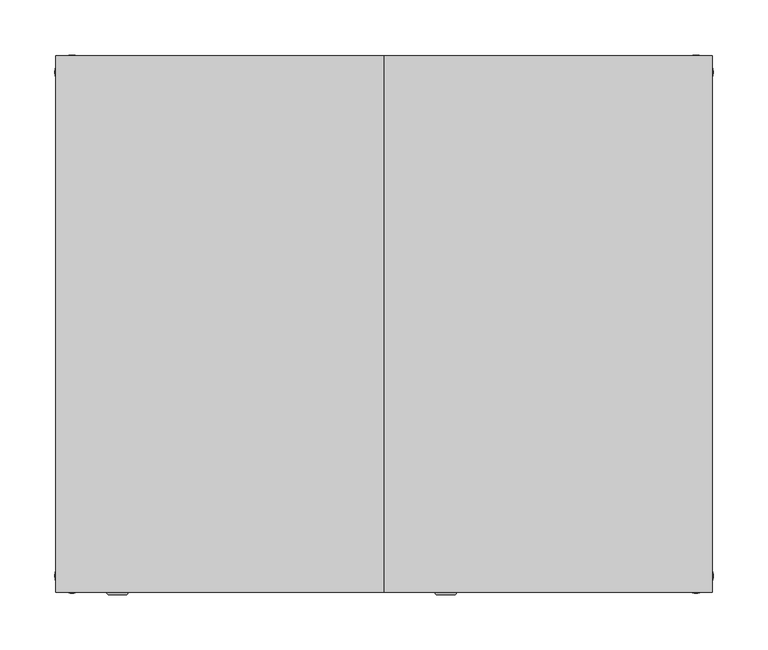
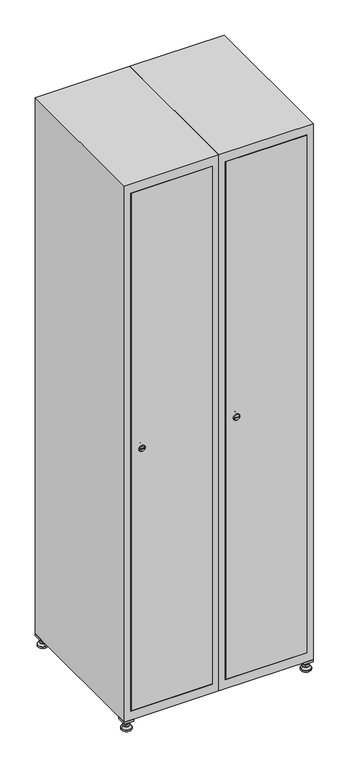
"""IFC4 building model written with IfcOpenShell, lengths in millimetres: furniture geometry."""

from ifc_helpers import new_model, si_unit, point, frame, frame_2d, origin, origin_with_axes, place, context, project, spatial, polyline, circle_curve, trimmed, segment, composite_curve, outline, extrude, faceted_brep, source, transform, mapped, element, save
from ifc_brep_helpers import plane_surface, revolved_surface, advanced_brep


def furniture_5229ee1f(model_context):
    return source(origin(), model_context, "Body", "SolidModel", [
        extrude(outline(polyline([(400.0, 245.0), (400.0, 215.0), (370.0, 215.0), (370.0, 245.0), (400.0, 245.0)]), holes=[polyline([(398.0, 243.0), (372.0, 243.0), (372.0, 217.0), (398.0, 217.0), (398.0, 243.0)])]), frame((0.0, 0.0, 28.5), z_axis=(0.0, 0.0, 1.0), x_axis=(1.0, 0.0, 0.0)), (0.0, 0.0, 1.0), 6.5),
        extrude(outline(polyline([(370.0, -245.0), (370.0, -215.0), (400.0, -215.0), (400.0, -245.0), (370.0, -245.0)]), holes=[polyline([(372.0, -243.0), (398.0, -243.0), (398.0, -217.0), (372.0, -217.0), (372.0, -243.0)])]), frame((0.0, 0.0, 28.5), z_axis=(0.0, 0.0, 1.0), x_axis=(1.0, 0.0, 0.0)), (0.0, 0.0, 1.0), 6.5),
        extrude(outline(polyline([(-170.0, 245.0), (-170.0, 215.0), (-200.0, 215.0), (-200.0, 245.0), (-170.0, 245.0)]), holes=[polyline([(-172.0, 243.0), (-198.0, 243.0), (-198.0, 217.0), (-172.0, 217.0), (-172.0, 243.0)])]), frame((0.0, 0.0, 28.5), z_axis=(0.0, 0.0, 1.0), x_axis=(1.0, 0.0, 0.0)), (0.0, 0.0, 1.0), 6.5),
        extrude(outline(polyline([(-170.0, -215.0), (-170.0, -245.0), (-200.0, -245.0), (-200.0, -215.0), (-170.0, -215.0)]), holes=[polyline([(-198.0, -243.0), (-172.0, -243.0), (-172.0, -217.0), (-198.0, -217.0), (-198.0, -243.0)])]), frame((0.0, 0.0, 28.5), z_axis=(0.0, 0.0, 1.0), x_axis=(1.0, 0.0, 0.0)), (0.0, 0.0, 1.0), 6.5),
        extrude(outline(composite_curve([segment(trimmed(circle_curve(frame_2d((-185.0, 230.0)), 5.0), [point((-180.0, 230.0))], [point((-190.0, 230.0))], False, "CARTESIAN"), True, "CONTINUOUS"), segment(trimmed(circle_curve(frame_2d((-185.0, 230.0)), 5.0), [point((-190.0, 230.0))], [point((-180.0, 230.0))], False, "CARTESIAN"), True, "CONTINUOUS")], self_intersect=False)), frame((0.0, 0.0, 19.6), z_axis=(0.0, 0.0, 1.0), x_axis=(1.0, 0.0, 0.0)), (0.0, 0.0, 1.0), 15.4),
        extrude(outline(composite_curve([segment(trimmed(circle_curve(frame_2d((-185.0, -230.0)), 5.0), [point((-180.0, -230.0))], [point((-190.0, -230.0))], False, "CARTESIAN"), True, "CONTINUOUS"), segment(trimmed(circle_curve(frame_2d((-185.0, -230.0)), 5.0), [point((-190.0, -230.0))], [point((-180.0, -230.0))], False, "CARTESIAN"), True, "CONTINUOUS")], self_intersect=False)), frame((0.0, 0.0, 19.6), z_axis=(0.0, 0.0, 1.0), x_axis=(1.0, 0.0, 0.0)), (0.0, 0.0, 1.0), 15.4),
        extrude(outline(composite_curve([segment(trimmed(circle_curve(frame_2d((385.0, 230.0)), 5.0), [point((390.0, 230.0))], [point((380.0, 230.0))], False, "CARTESIAN"), True, "CONTINUOUS"), segment(trimmed(circle_curve(frame_2d((385.0, 230.0)), 5.0), [point((380.0, 230.0))], [point((390.0, 230.0))], False, "CARTESIAN"), True, "CONTINUOUS")], self_intersect=False)), frame((0.0, 0.0, 19.6), z_axis=(0.0, 0.0, 1.0), x_axis=(1.0, 0.0, 0.0)), (0.0, 0.0, 1.0), 15.4),
        extrude(outline(polyline([(373.4529946, 230.0), (379.2264973, 240.0), (390.7735027, 240.0), (396.5470054, 230.0), (390.7735027, 220.0), (379.2264973, 220.0), (373.4529946, 230.0)])), frame((0.0, 0.0, 13.6), z_axis=(0.0, 0.0, 1.0), x_axis=(1.0, 0.0, 0.0)), (0.0, 0.0, 1.0), 6.0),
        extrude(outline(composite_curve([segment(trimmed(circle_curve(frame_2d((385.0, -230.0)), 5.0), [point((390.0, -230.0))], [point((380.0, -230.0))], False, "CARTESIAN"), True, "CONTINUOUS"), segment(trimmed(circle_curve(frame_2d((385.0, -230.0)), 5.0), [point((380.0, -230.0))], [point((390.0, -230.0))], False, "CARTESIAN"), True, "CONTINUOUS")], self_intersect=False)), frame((0.0, 0.0, 19.6), z_axis=(0.0, 0.0, 1.0), x_axis=(1.0, 0.0, 0.0)), (0.0, 0.0, 1.0), 15.4),
        extrude(outline(polyline([(373.4529946, -230.0), (379.2264973, -220.0), (390.7735027, -220.0), (396.5470054, -230.0), (390.7735027, -240.0), (379.2264973, -240.0), (373.4529946, -230.0)])), frame((0.0, 0.0, 13.6), z_axis=(0.0, 0.0, 1.0), x_axis=(1.0, 0.0, 0.0)), (0.0, 0.0, 1.0), 6.0),
        extrude(outline(composite_curve([segment(trimmed(circle_curve(frame_2d((385.0, 230.0)), 5.0), [point((390.0, 230.0))], [point((380.0, 230.0))], False, "CARTESIAN"), True, "CONTINUOUS"), segment(trimmed(circle_curve(frame_2d((385.0, 230.0)), 5.0), [point((380.0, 230.0))], [point((390.0, 230.0))], False, "CARTESIAN"), True, "CONTINUOUS")], self_intersect=False)), frame((0.0, 0.0, 12.1), z_axis=(0.0, 0.0, 1.0), x_axis=(1.0, 0.0, 0.0)), (0.0, 0.0, 1.0), 1.5),
        extrude(outline(composite_curve([segment(trimmed(circle_curve(frame_2d((385.0, -230.0)), 5.0), [point((390.0, -230.0))], [point((380.0, -230.0))], False, "CARTESIAN"), True, "CONTINUOUS"), segment(trimmed(circle_curve(frame_2d((385.0, -230.0)), 5.0), [point((380.0, -230.0))], [point((390.0, -230.0))], False, "CARTESIAN"), True, "CONTINUOUS")], self_intersect=False)), frame((0.0, 0.0, 12.1), z_axis=(0.0, 0.0, 1.0), x_axis=(1.0, 0.0, 0.0)), (0.0, 0.0, 1.0), 1.5),
        extrude(outline(polyline([(-196.5470054, 230.0), (-190.7735027, 240.0), (-179.2264973, 240.0), (-173.4529946, 230.0), (-179.2264973, 220.0), (-190.7735027, 220.0), (-196.5470054, 230.0)])), frame((0.0, 0.0, 13.6), z_axis=(0.0, 0.0, 1.0), x_axis=(1.0, 0.0, 0.0)), (0.0, 0.0, 1.0), 6.0),
        extrude(outline(polyline([(-196.5470054, -230.0), (-190.7735027, -220.0), (-179.2264973, -220.0), (-173.4529946, -230.0), (-179.2264973, -240.0), (-190.7735027, -240.0), (-196.5470054, -230.0)])), frame((0.0, 0.0, 13.6), z_axis=(0.0, 0.0, 1.0), x_axis=(1.0, 0.0, 0.0)), (0.0, 0.0, 1.0), 6.0),
        extrude(outline(composite_curve([segment(trimmed(circle_curve(frame_2d((-185.0, 230.0)), 5.0), [point((-185.0, 235.0))], [point((-185.0, 225.0))], False, "CARTESIAN"), True, "CONTINUOUS"), segment(trimmed(circle_curve(frame_2d((-185.0, 230.0)), 5.0), [point((-185.0, 225.0))], [point((-185.0, 235.0))], False, "CARTESIAN"), True, "CONTINUOUS")], self_intersect=False)), frame((0.0, 0.0, 12.1), z_axis=(0.0, 0.0, 1.0), x_axis=(1.0, 0.0, 0.0)), (0.0, 0.0, 1.0), 1.5),
        extrude(outline(composite_curve([segment(trimmed(circle_curve(frame_2d((-185.0, -230.0)), 5.0), [point((-180.0, -230.0))], [point((-190.0, -230.0))], False, "CARTESIAN"), True, "CONTINUOUS"), segment(trimmed(circle_curve(frame_2d((-185.0, -230.0)), 5.0), [point((-190.0, -230.0))], [point((-180.0, -230.0))], False, "CARTESIAN"), True, "CONTINUOUS")], self_intersect=False)), frame((0.0, 0.0, 12.1), z_axis=(0.0, 0.0, 1.0), x_axis=(1.0, 0.0, 0.0)), (0.0, 0.0, 1.0), 1.5),
        extrude(outline(composite_curve([segment(trimmed(circle_curve(frame_2d((385.0, 230.0)), 15.75), [point((400.75, 230.0))], [point((369.25, 230.0))], False, "CARTESIAN"), True, "CONTINUOUS"), segment(trimmed(circle_curve(frame_2d((385.0, 230.0)), 15.75), [point((369.25, 230.0))], [point((400.75, 230.0))], False, "CARTESIAN"), True, "CONTINUOUS")], self_intersect=False)), origin_with_axes(), (0.0, 0.0, 1.0), 5.1),
        extrude(outline(composite_curve([segment(trimmed(circle_curve(frame_2d((385.0, -230.0)), 15.75), [point((385.0, -214.25))], [point((385.0, -245.75))], False, "CARTESIAN"), True, "CONTINUOUS"), segment(trimmed(circle_curve(frame_2d((385.0, -230.0)), 15.75), [point((385.0, -245.75))], [point((385.0, -214.25))], False, "CARTESIAN"), True, "CONTINUOUS")], self_intersect=False)), origin_with_axes(), (0.0, 0.0, 1.0), 5.1),
        extrude(outline(composite_curve([segment(trimmed(circle_curve(frame_2d((-185.0, -230.0)), 15.75), [point((-169.25, -230.0))], [point((-200.75, -230.0))], False, "CARTESIAN"), True, "CONTINUOUS"), segment(trimmed(circle_curve(frame_2d((-185.0, -230.0)), 15.75), [point((-200.75, -230.0))], [point((-169.25, -230.0))], False, "CARTESIAN"), True, "CONTINUOUS")], self_intersect=False)), origin_with_axes(), (0.0, 0.0, 1.0), 5.1),
        extrude(outline(composite_curve([segment(trimmed(circle_curve(frame_2d((-185.0, 230.0)), 15.75), [point((-169.25, 230.0))], [point((-200.75, 230.0))], False, "CARTESIAN"), True, "CONTINUOUS"), segment(trimmed(circle_curve(frame_2d((-185.0, 230.0)), 15.75), [point((-200.75, 230.0))], [point((-169.25, 230.0))], False, "CARTESIAN"), True, "CONTINUOUS")], self_intersect=False)), origin_with_axes(), (0.0, 0.0, 1.0), 5.1),
        advanced_brep(
        [(-185.0, 245.75, 5.1), (-185.0, 214.25, 5.1), (-185.0, 239.5, 12.1), (-185.0, 220.5, 12.1)],
        [
            (0, 1, circle_curve(frame((-185.0, 230.0, 5.1), z_axis=(0.0, 0.0, -1.0), x_axis=(0.0, 1.0, 0.0)), 15.75)),
            (1, 0, circle_curve(frame((-185.0, 230.0, 5.1), z_axis=(0.0, 0.0, -1.0), x_axis=(0.0, -1.0, 0.0)), 15.75)),
            (2, 3, circle_curve(frame((-185.0, 230.0, 12.1), z_axis=(0.0, 0.0, 1.0), x_axis=(0.0, -1.0, 0.0)), 9.5)),
            (3, 2, circle_curve(frame((-185.0, 230.0, 12.1), z_axis=(0.0, 0.0, 1.0), x_axis=(0.0, 1.0, 0.0)), 9.5)),
            (3, 1),
            (0, 2),
        ],
        [
            plane_surface(frame((-185.0, 230.0, 5.1), z_axis=(0.0, 0.0, -1.0), x_axis=(1.0, 0.0, 0.0))),
            plane_surface(frame((-185.0, 230.0, 12.1), z_axis=(0.0, 0.0, 1.0), x_axis=(1.0, 0.0, 0.0))),
            revolved_surface(polyline([(-185.0, 220.5, 12.099999999999998), (-185.0, 214.25, 5.099999999999998)]), (-185.0, 230.0, 22.74), (0.0, 0.0, -1.0)),
            revolved_surface(polyline([(-185.0, 239.5, 12.099999999999998), (-185.0, 245.75, 5.099999999999998)]), (-185.0, 230.0, 22.74), (0.0, 0.0, -1.0)),
        ],
        [
            (0, [[1, 2]]),
            (1, [[3, 4]]),
            (2, [[-4, 5, -1, 6]]),
            (3, [[-3, -6, -2, -5]]),
        ],
    ),
        advanced_brep(
        [(385.0, 245.75, 5.1), (385.0, 214.25, 5.1), (385.0, 239.5, 12.1), (385.0, 220.5, 12.1)],
        [
            (0, 1, circle_curve(frame((385.0, 230.0, 5.1), z_axis=(0.0, 0.0, -1.0), x_axis=(0.0, 1.0, 0.0)), 15.75)),
            (1, 0, circle_curve(frame((385.0, 230.0, 5.1), z_axis=(0.0, 0.0, -1.0), x_axis=(0.0, -1.0, 0.0)), 15.75)),
            (2, 3, circle_curve(frame((385.0, 230.0, 12.1), z_axis=(0.0, 0.0, 1.0), x_axis=(0.0, -1.0, 0.0)), 9.5)),
            (3, 2, circle_curve(frame((385.0, 230.0, 12.1), z_axis=(0.0, 0.0, 1.0), x_axis=(0.0, 1.0, 0.0)), 9.5)),
            (3, 1),
            (0, 2),
        ],
        [
            plane_surface(frame((385.0, 230.0, 5.1), z_axis=(0.0, 0.0, -1.0), x_axis=(1.0, 0.0, 0.0))),
            plane_surface(frame((385.0, 230.0, 12.1), z_axis=(0.0, 0.0, 1.0), x_axis=(1.0, 0.0, 0.0))),
            revolved_surface(polyline([(385.0, 220.5, 12.099999999999998), (385.0, 214.25, 5.099999999999998)]), (385.0, 230.0, 22.74), (0.0, 0.0, -1.0)),
            revolved_surface(polyline([(385.0, 239.5, 12.099999999999998), (385.0, 245.75, 5.099999999999998)]), (385.0, 230.0, 22.74), (0.0, 0.0, -1.0)),
        ],
        [
            (0, [[1, 2]]),
            (1, [[3, 4]]),
            (2, [[-4, 5, -1, 6]]),
            (3, [[-3, -6, -2, -5]]),
        ],
    ),
        advanced_brep(
        [(394.5, -230.0, 12.1), (375.5, -230.0, 12.1), (400.75, -230.0, 5.1), (369.25, -230.0, 5.1)],
        [
            (0, 1, circle_curve(frame((385.0, -230.0, 12.1), z_axis=(0.0, 0.0, 1.0), x_axis=(1.0, 0.0, 0.0)), 9.5)),
            (1, 0, circle_curve(frame((385.0, -230.0, 12.1), z_axis=(0.0, 0.0, 1.0), x_axis=(-1.0, 0.0, 0.0)), 9.5)),
            (2, 3, circle_curve(frame((385.0, -230.0, 5.1), z_axis=(0.0, 0.0, -1.0), x_axis=(-1.0, 0.0, 0.0)), 15.75)),
            (3, 2, circle_curve(frame((385.0, -230.0, 5.1), z_axis=(0.0, 0.0, -1.0), x_axis=(1.0, 0.0, 0.0)), 15.75)),
            (3, 1),
            (0, 2),
        ],
        [
            plane_surface(frame((385.0, -230.0, 12.1), z_axis=(0.0, 0.0, 1.0), x_axis=(0.0, 1.0, 0.0))),
            plane_surface(frame((385.0, -230.0, 5.1), z_axis=(0.0, 0.0, -1.0), x_axis=(0.0, 1.0, 0.0))),
            revolved_surface(polyline([(394.5, -230.0, 12.099999999999998), (400.75, -230.0, 5.099999999999998)]), (385.0, -230.0, 22.74), (0.0, 0.0, -1.0)),
            revolved_surface(polyline([(375.5, -230.0, 12.099999999999998), (369.25, -230.0, 5.099999999999998)]), (385.0, -230.0, 22.74), (0.0, 0.0, -1.0)),
        ],
        [
            (0, [[1, 2]]),
            (1, [[3, 4]]),
            (2, [[-4, 5, -1, 6]]),
            (3, [[-3, -6, -2, -5]]),
        ],
    ),
        advanced_brep(
        [(-175.5, -230.0, 12.1), (-194.5, -230.0, 12.1), (-169.25, -230.0, 5.1), (-200.75, -230.0, 5.1)],
        [
            (0, 1, circle_curve(frame((-185.0, -230.0, 12.1), z_axis=(0.0, 0.0, 1.0), x_axis=(1.0, 0.0, 0.0)), 9.5)),
            (1, 0, circle_curve(frame((-185.0, -230.0, 12.1), z_axis=(0.0, 0.0, 1.0), x_axis=(-1.0, 0.0, 0.0)), 9.5)),
            (2, 3, circle_curve(frame((-185.0, -230.0, 5.1), z_axis=(0.0, 0.0, -1.0), x_axis=(-1.0, 0.0, 0.0)), 15.75)),
            (3, 2, circle_curve(frame((-185.0, -230.0, 5.1), z_axis=(0.0, 0.0, -1.0), x_axis=(1.0, 0.0, 0.0)), 15.75)),
            (3, 1),
            (0, 2),
        ],
        [
            plane_surface(frame((-185.0, -230.0, 12.1), z_axis=(0.0, 0.0, 1.0), x_axis=(0.0, 1.0, 0.0))),
            plane_surface(frame((-185.0, -230.0, 5.1), z_axis=(0.0, 0.0, -1.0), x_axis=(0.0, 1.0, 0.0))),
            revolved_surface(polyline([(-175.5, -230.0, 12.099999999999998), (-169.25, -230.0, 5.099999999999998)]), (-185.0, -230.0, 22.74), (0.0, 0.0, -1.0)),
            revolved_surface(polyline([(-194.5, -230.0, 12.099999999999998), (-200.75, -230.0, 5.099999999999998)]), (-185.0, -230.0, 22.74), (0.0, 0.0, -1.0)),
        ],
        [
            (0, [[1, 2]]),
            (1, [[3, 4]]),
            (2, [[-4, 5, -1, 6]]),
            (3, [[-3, -6, -2, -5]]),
        ],
    ),
        extrude(outline(composite_curve([segment(trimmed(circle_curve(frame_2d((935.0, 129.6010534)), 7.0), [point((942.0, 129.6010534))], [point((928.0, 129.6010534))], False, "CARTESIAN"), True, "CONTINUOUS"), segment(polyline([(928.0, 129.6010534), (928.0, 157.6010534)]), True, "CONTINUOUS"), segment(trimmed(circle_curve(frame_2d((935.0, 157.6010534)), 7.0), [point((928.0, 157.6010534))], [point((942.0, 157.6010534))], False, "CARTESIAN"), True, "CONTINUOUS"), segment(polyline([(942.0, 157.6010534), (942.0, 129.6010534)]), True, "CONTINUOUS")], self_intersect=False)), frame((0.0, -227.0, 0.0), z_axis=(0.0, 1.0, 0.0), x_axis=(0.0, 0.0, 1.0)), (0.0, 0.0, 1.0), 2.0),
        advanced_brep(
        [(164.9, -247.2, 935.0), (147.9, -247.2, 935.0), (151.4, -247.2, 933.75), (151.4, -247.2, 936.25), (161.4, -247.2, 936.25), (161.4, -247.2, 933.75), (166.9, -245.0, 935.0), (145.9, -245.0, 935.0), (151.4, -245.0, 936.25), (151.4, -245.0, 933.75), (161.4, -245.0, 933.75), (161.4, -245.0, 936.25)],
        [
            (0, 1, circle_curve(frame((156.4, -247.2, 935.0), z_axis=(0.0, -1.0, 0.0), x_axis=(1.0, 0.0, 0.0)), 8.5)),
            (1, 0, circle_curve(frame((156.4, -247.2, 935.0), z_axis=(0.0, -1.0, 0.0), x_axis=(-1.0, 0.0, 0.0)), 8.5)),
            (2, 3),
            (3, 4),
            (4, 5),
            (5, 2),
            (6, 7, circle_curve(frame((156.4, -245.0, 935.0), z_axis=(0.0, 1.0, 0.0), x_axis=(-1.0, 0.0, 0.0)), 10.5)),
            (7, 6, circle_curve(frame((156.4, -245.0, 935.0), z_axis=(0.0, 1.0, 0.0), x_axis=(1.0, 0.0, 0.0)), 10.5)),
            (8, 9),
            (9, 10),
            (10, 11),
            (11, 8),
            (0, 6),
            (7, 1),
            (8, 3),
            (2, 9),
            (11, 4),
            (10, 5),
        ],
        [
            plane_surface(frame((156.4, -247.2, 935.0), z_axis=(0.0, -1.0, 0.0), x_axis=(0.0, 0.0, 1.0))),
            plane_surface(frame((156.4, -245.0, 935.0), z_axis=(0.0, 1.0, 0.0), x_axis=(0.0, 0.0, 1.0))),
            revolved_surface(polyline([(164.9, -247.2, 935.0), (166.9, -245.0, 935.0)]), (156.4, -256.55, 935.0), (0.0, 1.0, 0.0)),
            revolved_surface(polyline([(147.9, -247.2, 935.0), (145.9, -245.0, 935.0)]), (156.4, -256.55, 935.0), (0.0, 1.0, 0.0)),
            plane_surface(frame((151.4, -245.0, 933.75), z_axis=(1.0, 0.0, 0.0), x_axis=(0.0, -1.0, 0.0))),
            plane_surface(frame((151.4, -245.0, 936.25), z_axis=(0.0, 0.0, -1.0), x_axis=(0.0, -1.0, 0.0))),
            plane_surface(frame((161.4, -245.0, 936.25), z_axis=(-1.0, 0.0, 0.0), x_axis=(0.0, -1.0, 0.0))),
            plane_surface(frame((161.4, -245.0, 933.75), z_axis=(0.0, 0.0, 1.0), x_axis=(0.0, -1.0, 0.0))),
        ],
        [
            (0, [[1, 2], [3, 4, 5, 6]]),
            (1, [[7, 8], [9, 10, 11, 12]]),
            (2, [[-1, 13, -8, 14]]),
            (3, [[-2, -14, -7, -13]]),
            (4, [[15, -3, 16, -9]]),
            (5, [[-15, -12, 17, -4]]),
            (6, [[-17, -11, 18, -5]]),
            (7, [[-16, -6, -18, -10]]),
        ],
    ),
        extrude(outline(polyline([(378.6, -227.0), (378.6, -245.0), (121.4, -245.0), (121.4, -227.0), (378.6, -227.0)])), frame((0.0, 0.0, 66.2), z_axis=(0.0, 0.0, 1.0), x_axis=(1.0, 0.0, 0.0)), (0.0, 0.0, 1.0), 1737.6),
        faceted_brep([(400.0, -245.0, 35.0), (400.0, -245.0, 1835.0), (100.0, -245.0, 1835.0), (100.0, -245.0, 35.0), (379.6, -245.0, 1804.8), (379.6, -245.0, 65.2), (120.4, -245.0, 65.2), (120.4, -245.0, 1804.8), (400.0, 245.0, 35.0), (100.0, 245.0, 35.0), (400.0, 245.0, 1835.0), (100.0, 245.0, 1835.0), (379.6, 242.0, 1804.8), (379.6, 242.0, 65.2), (100.0, 245.0, 1804.8), (120.4, 242.0, 1804.8), (120.4, 242.0, 65.2)], [[[0, 1, 2, 3], [4, 5, 6, 7]], [[8, 0, 3, 9]], [[1, 0, 8, 10]], [[1, 10, 11, 2]], [[4, 12, 13, 5]], [[9, 3, 2, 11, 14]], [[10, 8, 9, 14, 11]], [[12, 15, 16, 13]], [[15, 7, 6, 16]], [[4, 7, 15, 12]], [[6, 5, 13, 16]]]),
        extrude(outline(composite_curve([segment(trimmed(circle_curve(frame_2d((935.0, -170.3989466)), 7.0), [point((942.0, -170.3989466))], [point((928.0, -170.3989466))], False, "CARTESIAN"), True, "CONTINUOUS"), segment(polyline([(928.0, -170.3989466), (928.0, -142.3989466)]), True, "CONTINUOUS"), segment(trimmed(circle_curve(frame_2d((935.0, -142.3989466)), 7.0), [point((928.0, -142.3989466))], [point((942.0, -142.3989466))], False, "CARTESIAN"), True, "CONTINUOUS"), segment(polyline([(942.0, -142.3989466), (942.0, -170.3989466)]), True, "CONTINUOUS")], self_intersect=False)), frame((0.0, -227.0, 0.0), z_axis=(0.0, 1.0, 0.0), x_axis=(0.0, 0.0, 1.0)), (0.0, 0.0, 1.0), 2.0),
        advanced_brep(
        [(-135.1, -247.2, 935.0), (-152.1, -247.2, 935.0), (-148.6, -247.2, 933.75), (-148.6, -247.2, 936.25), (-138.6, -247.2, 936.25), (-138.6, -247.2, 933.75), (-133.1, -245.0, 935.0), (-154.1, -245.0, 935.0), (-148.6, -245.0, 936.25), (-148.6, -245.0, 933.75), (-138.6, -245.0, 933.75), (-138.6, -245.0, 936.25)],
        [
            (0, 1, circle_curve(frame((-143.6, -247.2, 935.0), z_axis=(0.0, -1.0, 0.0), x_axis=(1.0, 0.0, 0.0)), 8.5)),
            (1, 0, circle_curve(frame((-143.6, -247.2, 935.0), z_axis=(0.0, -1.0, 0.0), x_axis=(-1.0, 0.0, 0.0)), 8.5)),
            (2, 3),
            (3, 4),
            (4, 5),
            (5, 2),
            (6, 7, circle_curve(frame((-143.6, -245.0, 935.0), z_axis=(0.0, 1.0, 0.0), x_axis=(-1.0, 0.0, 0.0)), 10.5)),
            (7, 6, circle_curve(frame((-143.6, -245.0, 935.0), z_axis=(0.0, 1.0, 0.0), x_axis=(1.0, 0.0, 0.0)), 10.5)),
            (8, 9),
            (9, 10),
            (10, 11),
            (11, 8),
            (0, 6),
            (7, 1),
            (8, 3),
            (2, 9),
            (11, 4),
            (10, 5),
        ],
        [
            plane_surface(frame((-143.6, -247.2, 935.0), z_axis=(0.0, -1.0, 0.0), x_axis=(0.0, 0.0, 1.0))),
            plane_surface(frame((-143.6, -245.0, 935.0), z_axis=(0.0, 1.0, 0.0), x_axis=(0.0, 0.0, 1.0))),
            revolved_surface(polyline([(-135.1, -247.2, 935.0), (-133.1, -245.0, 935.0)]), (-143.6, -256.55, 935.0), (0.0, 1.0, 0.0)),
            revolved_surface(polyline([(-152.1, -247.2, 935.0), (-154.1, -245.0, 935.0)]), (-143.6, -256.55, 935.0), (0.0, 1.0, 0.0)),
            plane_surface(frame((-148.6, -245.0, 933.75), z_axis=(1.0, 0.0, 0.0), x_axis=(0.0, -1.0, 0.0))),
            plane_surface(frame((-148.6, -245.0, 936.25), z_axis=(0.0, 0.0, -1.0), x_axis=(0.0, -1.0, 0.0))),
            plane_surface(frame((-138.6, -245.0, 936.25), z_axis=(-1.0, 0.0, 0.0), x_axis=(0.0, -1.0, 0.0))),
            plane_surface(frame((-138.6, -245.0, 933.75), z_axis=(0.0, 0.0, 1.0), x_axis=(0.0, -1.0, 0.0))),
        ],
        [
            (0, [[1, 2], [3, 4, 5, 6]]),
            (1, [[7, 8], [9, 10, 11, 12]]),
            (2, [[-1, 13, -8, 14]]),
            (3, [[-2, -14, -7, -13]]),
            (4, [[15, -3, 16, -9]]),
            (5, [[-15, -12, 17, -4]]),
            (6, [[-17, -11, 18, -5]]),
            (7, [[-16, -6, -18, -10]]),
        ],
    ),
        extrude(outline(polyline([(78.6, -227.0), (78.6, -245.0), (-178.6, -245.0), (-178.6, -227.0), (78.6, -227.0)])), frame((0.0, 0.0, 66.2), z_axis=(0.0, 0.0, 1.0), x_axis=(1.0, 0.0, 0.0)), (0.0, 0.0, 1.0), 1737.6),
        faceted_brep([(100.0, -245.0, 35.0), (100.0, -245.0, 1835.0), (-200.0, -245.0, 1835.0), (-200.0, -245.0, 35.0), (79.6, -245.0, 1804.8), (79.6, -245.0, 65.2), (-179.6, -245.0, 65.2), (-179.6, -245.0, 1804.8), (100.0, 245.0, 35.0), (-200.0, 245.0, 35.0), (100.0, 245.0, 1835.0), (-200.0, 245.0, 1835.0), (79.6, 242.0, 1804.8), (79.6, 242.0, 65.2), (-200.0, 245.0, 1804.8), (-179.6, 242.0, 1804.8), (-179.6, 242.0, 65.2)], [[[0, 1, 2, 3], [4, 5, 6, 7]], [[8, 0, 3, 9]], [[1, 0, 8, 10]], [[1, 10, 11, 2]], [[4, 12, 13, 5]], [[9, 3, 2, 11, 14]], [[10, 8, 9, 14, 11]], [[12, 15, 16, 13]], [[15, 7, 6, 16]], [[4, 7, 15, 12]], [[6, 5, 13, 16]]]),
    ])


if __name__ == "__main__":
    model = new_model("IFC4")
    model_context = context("Model", 3, world=origin())
    ifc_project = project(units=[si_unit("LENGTHUNIT", "METRE", prefix="MILLI")], contexts=[model_context])
    site = spatial("IfcSite", under=ifc_project)
    building = spatial("IfcBuilding", under=site)
    placement = place(None, origin())
    furniture_shape = furniture_5229ee1f(model_context)
    element("IfcFurniture", 1, at=placement, inside=building, context=model_context, shape_type="MappedRepresentation", body=[
        mapped(furniture_shape, transform((0.0, 0.0, 0.0), x_axis=(1.0, 0.0, 0.0), y_axis=(0.0, 1.0, 0.0), z_axis=(0.0, 0.0, 1.0))),
    ])
    save(model, "model.ifc")
